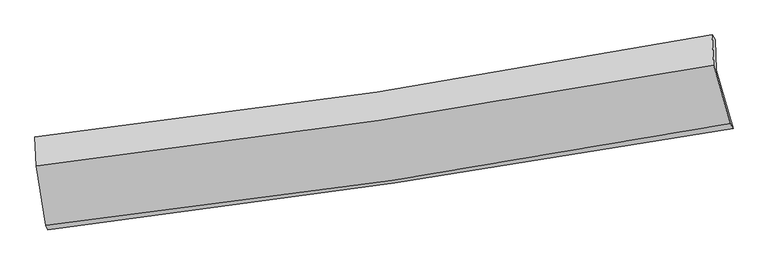
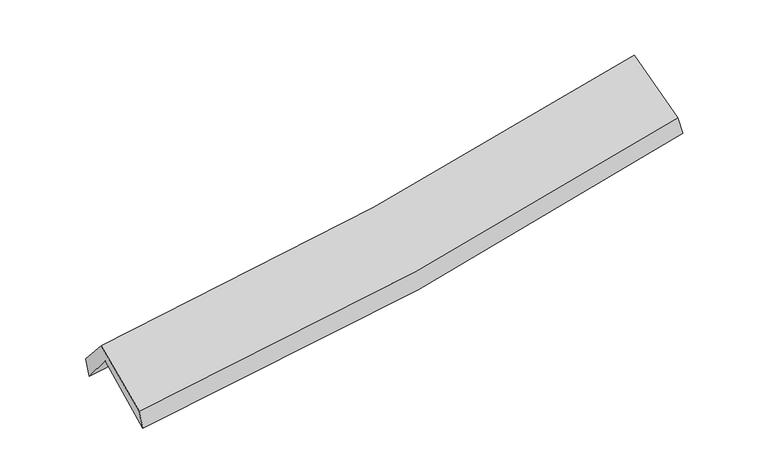
"""IFC4 building model written with IfcOpenShell, lengths in millimetres: proxy geometry."""

import ifcopenshell
import ifcopenshell.guid

model = None  # the IFC model being written
_history = None  # IfcOwnerHistory: only IFC2X3 demands one
_inside = {}  # id of a spatial element -> (the spatial element, [elements in it])
_under = {}  # id of a project, library or spatial element -> (it, [spatial elements below it])
_declared = {}  # id of a project -> (the project, [libraries it declares])
_typed = {}  # id of a type object -> (the type object, [elements of that type])
_made_of = {}  # id of a material, layer set ... -> (it, [elements and type objects made of it])


def new_model(schema):
    """Start an empty IFC model of exactly this schema.

    Asked for "IFC4X3", IfcOpenShell would pick the latest addendum, in which some entities
    have other attributes; the version numbers below select the first issue.
    IFC2X3 requires an IfcOwnerHistory on every rooted entity: one is made here for all.
    """
    global model, _history
    if schema == "IFC4X3":
        model = ifcopenshell.file(schema_version=(4, 3, 0, 0))
    else:
        model = ifcopenshell.file(schema=schema)
    _inside.clear()
    _under.clear()
    _declared.clear()
    _typed.clear()
    _made_of.clear()
    _history = None
    if model.schema == "IFC2X3":
        org = make("IfcOrganization", Name="unknown")
        user = make(
            "IfcPersonAndOrganization",
            ThePerson=make("IfcPerson", FamilyName="unknown"),
            TheOrganization=org,
        )
        app = make(
            "IfcApplication",
            ApplicationDeveloper=org,
            Version="unknown",
            ApplicationFullName="unknown",
            ApplicationIdentifier="unknown",
        )
        _history = make(
            "IfcOwnerHistory",
            OwningUser=user,
            OwningApplication=app,
            ChangeAction="ADDED",
            CreationDate=0,
        )
    return model


def make(cls, **values):
    """One entity of the class cls with the attributes given. An attribute that is None is left unset."""
    return model.create_entity(
        cls, **{name: value for name, value in values.items() if value is not None}
    )


def rooted(cls, **values):
    """An entity with a GlobalId (a new one), such as an element, a storey or a relation."""
    return make(cls, GlobalId=ifcopenshell.guid.new(), OwnerHistory=_history, **values)


def si_unit(unit_type, name, prefix=None):
    """IfcSIUnit, for example si_unit("LENGTHUNIT", "METRE", prefix="MILLI")."""
    return make("IfcSIUnit", UnitType=unit_type, Prefix=prefix, Name=name)


def assignment(units):
    """IfcUnitAssignment: the units of a project."""
    return None if units is None else make("IfcUnitAssignment", Units=units)


def point(xyz):
    """IfcCartesianPoint."""
    return None if xyz is None else make("IfcCartesianPoint", Coordinates=xyz)


def direction(xyz):
    """IfcDirection."""
    return None if xyz is None else make("IfcDirection", DirectionRatios=xyz)


def frame(location, z_axis=None, x_axis=None):
    """IfcAxis2Placement3D, a coordinate frame: its origin and axes. An axis left out is left unset."""
    return make(
        "IfcAxis2Placement3D",
        Location=point(location),
        Axis=direction(z_axis),
        RefDirection=direction(x_axis),
    )


def origin():
    """The frame at (0, 0, 0) with its axes left unset."""
    return frame((0.0, 0.0, 0.0))


def place(relative_to, where):
    """IfcLocalPlacement: puts the frame where relative to a parent placement (None: the world)."""
    return make(
        "IfcLocalPlacement", PlacementRelTo=relative_to, RelativePlacement=where
    )


def context(
    kind, dimensions, precision=None, world=None, true_north=None, identifier=None
):
    """IfcGeometricRepresentationContext, for example the 3D "Model" context."""
    return make(
        "IfcGeometricRepresentationContext",
        ContextIdentifier=identifier,
        ContextType=kind,
        CoordinateSpaceDimension=dimensions,
        Precision=precision,
        WorldCoordinateSystem=world,
        TrueNorth=true_north,
    )


def project(units=None, contexts=None):
    """IfcProject with its units and contexts."""
    return rooted(
        "IfcProject",
        Name="project",
        RepresentationContexts=contexts,
        UnitsInContext=assignment(units),
    )


def spatial(cls, under=None, at=None, **own):
    """A site, building, storey or space (cls), placed at a placement, below another one or the project."""
    s = rooted(cls, ObjectPlacement=at, **own)
    if under is not None:
        _under.setdefault(under.id(), (under, []))[1].append(s)
    return s


def shape(context_of_items, identifier, shape_type, items):
    """IfcShapeRepresentation: the items that make up one representation, for example the "Body"."""
    return make(
        "IfcShapeRepresentation",
        ContextOfItems=context_of_items,
        RepresentationIdentifier=identifier,
        RepresentationType=shape_type,
        Items=items,
    )


def source(mapping_origin, context_of_items, identifier, shape_type, items):
    """IfcRepresentationMap: a shape defined once, which mapped items show again and again."""
    return make(
        "IfcRepresentationMap",
        MappingOrigin=mapping_origin,
        MappedRepresentation=shape(context_of_items, identifier, shape_type, items),
    )


def transform(
    local_origin,
    x_axis=None,
    y_axis=None,
    z_axis=None,
    scale=None,
    scale2=None,
    scale3=None,
    uniform=True,
):
    """IfcCartesianTransformationOperator3D, or its non-uniform kind. x_axis, y_axis, z_axis: its Axis1, 2, 3."""
    if uniform:
        return make(
            "IfcCartesianTransformationOperator3D",
            Axis1=direction(x_axis),
            Axis2=direction(y_axis),
            LocalOrigin=point(local_origin),
            Scale=scale,
            Axis3=direction(z_axis),
        )
    return make(
        "IfcCartesianTransformationOperator3DnonUniform",
        Axis1=direction(x_axis),
        Axis2=direction(y_axis),
        LocalOrigin=point(local_origin),
        Scale=scale,
        Axis3=direction(z_axis),
        Scale2=scale2,
        Scale3=scale3,
    )


def mapped(mapping_source, mapping_target):
    """IfcMappedItem: shows the shape of a source again, moved by a transform."""
    return make(
        "IfcMappedItem", MappingSource=mapping_source, MappingTarget=mapping_target
    )


def made_of(thing, what):
    """Note that an element or type object is made of a material, layer set ...; save() writes the relation."""
    if what is not None:
        _made_of.setdefault(what.id(), (what, []))[1].append(thing)
    return thing


def element(
    cls,
    number,
    at=None,
    inside=None,
    cuts=None,
    type_object=None,
    material=None,
    context=None,
    identifier="Body",
    shape_type=None,
    held_by="IfcProductDefinitionShape",
    body=None,
    shapes=None,
    **own,
):
    """One element of the class cls, such as IfcWall. Its Tag is "e" and its number.

    at: its placement. inside: the storey or other place that contains it. cuts: it is an
    opening in that element (IfcRelVoidsElement). A single representation is given by context,
    identifier, shape_type and body (its items); several are given by shapes. held_by: the class
    of the entity that holds the representations. save() writes the other relations.
    """
    e = rooted(cls, Tag="e%d" % number, ObjectPlacement=at, **own)
    if body is not None:
        shapes = [shape(context, identifier, shape_type, body)]
    if shapes is not None:
        e.Representation = make(held_by, Representations=shapes)
    if inside is not None:
        _inside.setdefault(inside.id(), (inside, []))[1].append(e)
    if cuts is not None:
        rooted(
            "IfcRelVoidsElement", RelatingBuildingElement=cuts, RelatedOpeningElement=e
        )
    if type_object is not None:
        _typed.setdefault(type_object.id(), (type_object, []))[1].append(e)
    return made_of(e, material)


def aggregate(whole, parts):
    """IfcRelAggregates: a whole, such as a stair, and the parts it consists of."""
    return rooted("IfcRelAggregates", RelatingObject=whole, RelatedObjects=parts)


def save(model, path):
    """Write the relations noted so far, then the file.

    IfcRelAggregates (storeys below a building ...), IfcRelContainedInSpatialStructure (elements
    in a storey), IfcRelDefinesByType, IfcRelAssociatesMaterial and IfcRelDeclares: one each for
    every whole, place, type object, material and project.
    """
    for whole, parts in _under.values():
        aggregate(whole, parts)
    for where, things in _inside.values():
        rooted(
            "IfcRelContainedInSpatialStructure",
            RelatedElements=things,
            RelatingStructure=where,
        )
    for kind, things in _typed.values():
        rooted("IfcRelDefinesByType", RelatedObjects=things, RelatingType=kind)
    for what, things in _made_of.values():
        rooted("IfcRelAssociatesMaterial", RelatedObjects=things, RelatingMaterial=what)
    for by, libraries in _declared.values():
        rooted("IfcRelDeclares", RelatingContext=by, RelatedDefinitions=libraries)
    model.write(path)


def plane_surface(at):
    """IfcPlane: the flat surface through the origin of the frame at, square to its z axis."""
    return make("IfcPlane", Position=at)


def spline_curve(degree, points, multiplicities, knots, weights=None):
    """IfcBSplineCurveWithKnots; with weights, IfcRationalBSplineCurveWithKnots."""
    own = dict(
        Degree=degree,
        ControlPointsList=[point(p) for p in points],
        CurveForm="UNSPECIFIED",
        ClosedCurve=False,
        SelfIntersect=False,
        KnotMultiplicities=multiplicities,
        Knots=knots,
        KnotSpec="UNSPECIFIED",
    )
    if weights is None:
        return make("IfcBSplineCurveWithKnots", **own)
    return make("IfcRationalBSplineCurveWithKnots", WeightsData=weights, **own)


def spline_surface(u_degree, v_degree, points, u_multiplicities, v_multiplicities, u_knots, v_knots, weights=None):
    """IfcBSplineSurfaceWithKnots; with weights, IfcRationalBSplineSurfaceWithKnots. points: one row for each step in u."""
    own = dict(
        UDegree=u_degree,
        VDegree=v_degree,
        ControlPointsList=[[point(p) for p in row] for row in points],
        SurfaceForm="UNSPECIFIED",
        UClosed=False,
        VClosed=False,
        SelfIntersect=False,
        UMultiplicities=u_multiplicities,
        VMultiplicities=v_multiplicities,
        UKnots=u_knots,
        VKnots=v_knots,
        KnotSpec="UNSPECIFIED",
    )
    if weights is None:
        return make("IfcBSplineSurfaceWithKnots", **own)
    return make("IfcRationalBSplineSurfaceWithKnots", WeightsData=weights, **own)


def advanced_brep(points, edges, surfaces, faces):
    """IfcAdvancedBrep: a solid bounded by faces that lie on surfaces and meet in shared edges.

    An edge is (start, end): straight between two places in points (the first is 0);
    or (start, end, curve); or (start, end, curve, False) where it runs against its curve.
    A face is (place in surfaces, loops), or (place, loops, False) where it looks against
    its surface's normal. A loop lists edges by number (the first is 1), with a minus sign
    where the edge is run from its end to its start. The first loop is the outer one.
    """
    corners = [point(p) for p in points]
    vertices = [make("IfcVertexPoint", VertexGeometry=c) for c in corners]
    made = []
    for start, end, *more in edges:
        made.append(
            make(
                "IfcEdgeCurve",
                EdgeStart=vertices[start],
                EdgeEnd=vertices[end],
                EdgeGeometry=more[0] if more else make("IfcPolyline", Points=[corners[start], corners[end]]),
                SameSense=more[1] if len(more) > 1 else True,
            )
        )
    hull = []
    for where, loops, *sense in faces:
        bounds = []
        for j, loop in enumerate(loops):
            ring = [make("IfcOrientedEdge", EdgeElement=made[abs(k) - 1], Orientation=k > 0) for k in loop]
            bounds.append(
                make(
                    "IfcFaceOuterBound" if j == 0 else "IfcFaceBound",
                    Bound=make("IfcEdgeLoop", EdgeList=ring),
                    Orientation=True,
                )
            )
        hull.append(make("IfcAdvancedFace", Bounds=bounds, FaceSurface=surfaces[where], SameSense=sense[0] if sense else True))
    return make("IfcAdvancedBrep", Outer=make("IfcClosedShell", CfsFaces=hull))


def generic_models_24ffde4a(model_context):
    return source(origin(), model_context, "Body", "AdvancedBrep", [
        advanced_brep(
        [(-2877.0249884, -2517.4440267, 1475.2182132), (-2960.8586292, -2007.6296577, 1902.914788), (2874.3991344, -1141.219464, 2408.5638326), (3017.3022997, -1644.3780435, 1992.4002022), (-2971.8190955, -1751.7562066, 1589.7898583), (2862.306838, -880.1663301, 2096.8381002), (-2985.7097389, -1719.090184, 1761.6964179), (2836.5094673, -838.2799809, 2249.6910406), (-2973.7870366, -1965.8074921, 2040.6421417), (2850.4376647, -1098.0063864, 2543.6982989), (-2890.9700589, -2477.789136, 1634.4173467), (2991.9014409, -1602.3668368, 2141.6831198)],
        [
            (0, 1),
            (1, 2, spline_curve(3, [(-2960.8586292, -2007.6296577, 1902.914788), (-1972.148386815, -1896.306052529, 1943.376403551), (-987.876129757, -1767.767889122, 2006.231581222), (957.077495229, -1478.45132523, 2175.448814463), (1917.891159293, -1318.186090991, 2281.143318735), (2874.3991344, -1141.219464, 2408.5638326)], [4, 2, 4], [0.0, 9.840523780615202, 19.533264912755303])),
            (2, 3),
            (3, 0, spline_curve(3, [(3017.3022997, -1644.3780435, 1992.4002022), (2051.598248886, -1811.817607383, 1844.95975413), (1081.303500826, -1967.829558965, 1728.232959296), (-883.331208357, -2259.202677444, 1554.895257396), (-1877.812223302, -2394.212720239, 1499.228055674), (-2877.0249884, -2517.4440267, 1475.2182132)], [4, 2, 4], [0.0, 9.692741132140101, 19.533264912755303])),
            (1, 4),
            (4, 5, spline_curve(3, [(-2971.8190955, -1751.7562066, 1589.7898583), (-1984.452716829, -1627.183085068, 1623.177410126), (-1000.943059651, -1491.632088213, 1682.640686442), (943.65061579, -1200.774878787, 1852.434084359), (1904.849603337, -1045.795917011, 1961.986888361), (2862.306838, -880.1663301, 2096.8381002)], [4, 2, 4], [0.0, 9.790579473764575, 19.43412635078983])),
            (5, 2),
            (4, 6),
            (6, 7, spline_curve(3, [(-2985.7097389, -1719.090184, 1761.6964179), (-2000.000238336, -1607.96018283, 1811.860853121), (-1018.32005034, -1478.299861981, 1878.03718868), (922.299571144, -1184.144072061, 2041.179377315), (1881.359118749, -1020.200992111, 2137.667915911), (2836.5094673, -838.2799809, 2249.6910406)], [4, 2, 4], [0.0, 9.77978802090375, 19.41270550854368])),
            (7, 5),
            (6, 8),
            (8, 9, spline_curve(3, [(-2973.7870366, -1965.8074921, 2040.6421417), (-1987.966256, -1852.414608115, 2088.289569535), (-1006.061185948, -1722.731963235, 2154.491114268), (935.230320677, -1432.979330281, 2322.729598331), (1894.733484525, -1273.394940135, 2424.21343887), (2850.4376647, -1098.0063864, 2543.6982989)], [4, 2, 4], [0.0, 9.770649759874017, 19.394566222717526])),
            (9, 7),
            (8, 10),
            (10, 11, spline_curve(3, [(-2890.9700589, -2477.789136, 1634.4173467), (-1893.657718267, -2368.162865324, 1678.732083134), (-901.088875623, -2239.704532868, 1743.636018657), (1059.726887458, -1947.335716285, 1913.338373746), (2028.115211377, -1783.986615758, 2017.523028827), (2991.9014409, -1602.3668368, 2141.6831198)], [4, 2, 4], [0.0, 9.82124868715121, 19.49500419460207])),
            (11, 9),
            (10, 0),
            (3, 11),
        ],
        [
            spline_surface(3, 3, [[(-2877.0249884, -2517.4440267, 1475.2182132), (-1877.812223176, -2394.212720094, 1499.22805573), (-883.331208389, -2259.202677404, 1554.895257365), (1081.303500857, -1967.829559004, 1728.232959327), (2051.598248794, -1811.817607246, 1844.959753992), (3017.3022997, -1644.3780435, 1992.4002022)], [(-2904.969535325, -2347.505903699, 1617.783738128), (-1909.257611034, -2228.24383091, 1647.277505041), (-918.179515495, -2095.391081289, 1705.34069864), (1039.894832295, -1804.703481113, 1877.30491109), (2007.029218979, -1647.273768447, 1990.354275519), (2969.667911273, -1476.658516985, 2131.12141231)], [(-2932.914082275, -2177.567780701, 1760.349263072), (-1940.702998918, -2062.274941728, 1795.32695437), (-953.027822596, -1931.579485155, 1855.786139853), (998.486163738, -1641.577403202, 2026.376862791), (1962.460189145, -1482.729929692, 2135.748797114), (2922.033522827, -1308.938990515, 2269.84262249)], [(-2960.8586292, -2007.6296577, 1902.914788), (-1972.148386776, -1896.306052544, 1943.376403681), (-987.876129702, -1767.76788904, 2006.231581129), (957.077495175, -1478.451325311, 2175.448814554), (1917.89115933, -1318.186090894, 2281.143318641), (2874.3991344, -1141.219464, 2408.5638326)]], [4, 4], [4, 2, 4], [0.0, 2.214118013408761], [0.0, 9.840523780615202, 19.533264912755303]),
            spline_surface(3, 3, [[(-2960.8586292, -2007.6296577, 1902.914788), (-1972.148386776, -1896.306052544, 1943.376403681), (-987.876129702, -1767.76788904, 2006.231581129), (957.077495175, -1478.451325311, 2175.448814554), (1917.89115933, -1318.186090894, 2281.143318641), (2874.3991344, -1141.219464, 2408.5638326)], [(-2964.512117972, -1922.338507357, 1798.539811432), (-1976.249830128, -1806.598396753, 1836.643405816), (-992.23177305, -1675.722622064, 1898.367949568), (952.601868753, -1385.892509834, 2067.777237776), (1913.543974007, -1227.389366282, 2174.757841927), (2870.368368937, -1054.201752694, 2304.655255137)], [(-2968.165606728, -1837.047356943, 1694.164834868), (-1980.351273462, -1716.890740892, 1729.910407955), (-996.58741641, -1583.677355091, 1790.504318075), (948.126242319, -1293.333694361, 1960.105661066), (1909.196788673, -1136.592641689, 2068.372365201), (2866.337603463, -967.184041406, 2200.746677663)], [(-2971.8190955, -1751.7562066, 1589.7898583), (-1984.452716814, -1627.183085102, 1623.17741009), (-1000.943059758, -1491.632088115, 1682.640686514), (943.650615896, -1200.774878884, 1852.434084287), (1904.84960335, -1045.795917077, 1961.986888487), (2862.306838, -880.1663301, 2096.8381002)]], [4, 4], [4, 2, 4], [0.0, 1.3972391556507557], [0.0, 9.790579473764575, 19.43412635078983]),
            spline_surface(3, 3, [[(-2971.8190955, -1751.7562066, 1589.7898583), (-1984.452716814, -1627.183085102, 1623.17741009), (-1000.943059758, -1491.632088115, 1682.640686514), (943.650615896, -1200.774878884, 1852.434084287), (1904.84960335, -1045.795917077, 1961.986888487), (2862.306838, -880.1663301, 2096.8381002)], [(-2976.449309967, -1740.867532401, 1647.092044854), (-1989.635223965, -1620.775450999, 1686.071891074), (-1006.735389961, -1487.188012683, 1747.772853889), (936.53360101, -1195.231276623, 1915.349182025), (1897.019441812, -1037.264275416, 2020.547231036), (2853.707714421, -866.204213714, 2147.789080356)], [(-2981.079524433, -1729.978858199, 1704.394231346), (-1994.817731115, -1614.367816895, 1748.966371997), (-1012.527720197, -1482.743937311, 1812.905021191), (929.416586089, -1189.687674421, 1978.26427969), (1889.18928031, -1028.732633714, 2079.107573515), (2845.108590879, -852.242097286, 2198.740060444)], [(-2985.7097389, -1719.090184, 1761.6964179), (-2000.000238266, -1607.960182793, 1811.860852981), (-1018.3200504, -1478.299861879, 1878.037188566), (922.299571203, -1184.144072161, 2041.179377428), (1881.359118771, -1020.200992053, 2137.667916063), (2836.5094673, -838.2799809, 2249.6910406)]], [4, 4], [4, 2, 4], [0.0, 0.63539500570408], [0.0, 9.77978802090375, 19.41270550854368]),
            spline_surface(3, 3, [[(-2985.7097389, -1719.090184, 1761.6964179), (-2000.000238266, -1607.960182793, 1811.860852981), (-1018.3200504, -1478.299861879, 1878.037188566), (922.299571203, -1184.144072161, 2041.179377428), (1881.359118771, -1020.200992053, 2137.667916063), (2836.5094673, -838.2799809, 2249.6910406)], [(-2981.73550481, -1801.329286681, 1854.678325835), (-1995.988910804, -1689.444991227, 1904.003758471), (-1014.23376224, -1559.777229006, 1970.188497161), (926.609820982, -1267.089158242, 2135.029451004), (1885.817240648, -1104.598974718, 2233.183090362), (2841.152199775, -924.855449407, 2347.693460019)], [(-2977.76127069, -1883.568389419, 1947.660233765), (-1991.977583312, -1770.929799717, 1996.146663957), (-1010.147474025, -1641.254596058, 2062.339805803), (930.920070817, -1350.034244249, 2228.879524626), (1890.2753625, -1188.996957362, 2328.698264702), (2845.794932225, -1011.430917893, 2445.695879481)], [(-2973.7870366, -1965.8074921, 2040.6421417), (-1987.96625585, -1852.414608152, 2088.289569447), (-1006.061185866, -1722.731963184, 2154.491114398), (935.230320596, -1432.979330331, 2322.729598202), (1894.733484377, -1273.394940027, 2424.213439001), (2850.4376647, -1098.0063864, 2543.6982989)]], [4, 4], [4, 2, 4], [0.0, 1.2222672611854886], [0.0, 9.770649759874017, 19.394566222717526]),
            spline_surface(3, 3, [[(-2973.7870366, -1965.8074921, 2040.6421417), (-1987.96625585, -1852.414608152, 2088.289569447), (-1006.061185866, -1722.731963184, 2154.491114398), (935.230320596, -1432.979330331, 2322.729598202), (1894.733484377, -1273.394940027, 2424.213439001), (2850.4376647, -1098.0063864, 2543.6982989)], [(-2946.181377361, -2136.468040072, 1905.233876678), (-1956.530076636, -2024.330693911, 1951.770407268), (-971.070415748, -1895.056153084, 2017.539415834), (976.729176216, -1604.431458958, 2186.265856675), (1939.194060039, -1443.592165232, 2288.649968967), (2897.592256776, -1266.126536525, 2409.693239201)], [(-2918.575718139, -2307.128588028, 1769.825611722), (-1925.09389744, -2196.246779656, 1815.251245156), (-936.079645684, -2067.380343013, 1880.587717309), (1018.228031782, -1775.883587615, 2049.802115186), (1983.654635672, -1613.789390462, 2153.08649893), (2944.746848824, -1434.246686675, 2275.688179499)], [(-2890.9700589, -2477.789136, 1634.4173467), (-1893.657718226, -2368.162865416, 1678.732082977), (-901.088875566, -2239.704532912, 1743.636018745), (1059.726887402, -1947.335716242, 1913.338373659), (2028.115211334, -1783.986615667, 2017.523028896), (2991.9014409, -1602.3668368, 2141.6831198)]], [4, 4], [4, 2, 4], [0.0, 2.1941675355285155], [0.0, 9.82124868715121, 19.49500419460207]),
            spline_surface(3, 3, [[(-2890.9700589, -2477.789136, 1634.4173467), (-1893.657718226, -2368.162865416, 1678.732082977), (-901.088875566, -2239.704532912, 1743.636018745), (1059.726887402, -1947.335716242, 1913.338373659), (2028.115211334, -1783.986615667, 2017.523028896), (2991.9014409, -1602.3668368, 2141.6831198)], [(-2886.321702066, -2491.007432891, 1581.350968873), (-1888.375886542, -2376.846150299, 1618.897407235), (-895.169653187, -2246.203914409, 1680.722431625), (1066.919091874, -1954.166997163, 1851.636568888), (2035.942890471, -1793.263612869, 1960.00193727), (3000.368393817, -1616.370572375, 2091.922147276)], [(-2881.673345234, -2504.225729809, 1528.284591027), (-1883.09405486, -2385.529435211, 1559.062731472), (-889.250430768, -2252.703295906, 1617.808844485), (1074.111296385, -1960.998278083, 1789.934764097), (2043.770569657, -1802.540610044, 1902.480845617), (3008.835346783, -1630.374307925, 2042.161174724)], [(-2877.0249884, -2517.4440267, 1475.2182132), (-1877.812223176, -2394.212720094, 1499.22805573), (-883.331208389, -2259.202677404, 1554.895257365), (1081.303500857, -1967.829559004, 1728.232959327), (2051.598248794, -1811.817607246, 1844.959753992), (3017.3022997, -1644.3780435, 1992.4002022)]], [4, 4], [4, 2, 4], [0.0, 0.6202008555231107], [0.0, 9.880380671131242, 19.612380132473803]),
            plane_surface(frame((2905.4761408, -1200.7361736, 2238.8124324), z_axis=(0.976503105911968, 0.18235838144278152, 0.11483512033280285), x_axis=(0.21423882771863115, -0.7638251608763824, -0.6088290797177114))),
            plane_surface(frame((-2943.3615912, -2073.2527838, 1734.1131276), z_axis=(-0.9917549644961305, -0.11403302781125238, -0.05846844418553365), x_axis=(-0.08469255346876481, 0.2408359246306901, 0.9668636040281074))),
        ],
        [
            (0, [[1, 2, 3, 4]]),
            (1, [[5, 6, 7, -2]]),
            (2, [[8, 9, 10, -6]]),
            (3, [[11, 12, 13, -9]]),
            (4, [[14, 15, 16, -12]]),
            (5, [[17, -4, 18, -15]]),
            (6, [[-16, -18, -3, -7, -10, -13]]),
            (7, [[-17, -14, -11, -8, -5, -1]]),
        ],
    ),
    ])


if __name__ == "__main__":
    model = new_model("IFC4")
    model_context = context("Model", 3, world=origin())
    ifc_project = project(units=[si_unit("LENGTHUNIT", "METRE", prefix="MILLI")], contexts=[model_context])
    site = spatial("IfcSite", under=ifc_project)
    building = spatial("IfcBuilding", under=site)
    placement = place(None, origin())
    generic_models_shape = generic_models_24ffde4a(model_context)
    element("IfcBuildingElementProxy", 1, Name="Generic Models", at=placement, inside=building, context=model_context, shape_type="MappedRepresentation", body=[
        mapped(generic_models_shape, transform((0.0, 0.0, 0.0), x_axis=(1.0, 0.0, 0.0), y_axis=(0.0, 1.0, 0.0), z_axis=(0.0, 0.0, 1.0))),
    ])
    save(model, "model.ifc")
